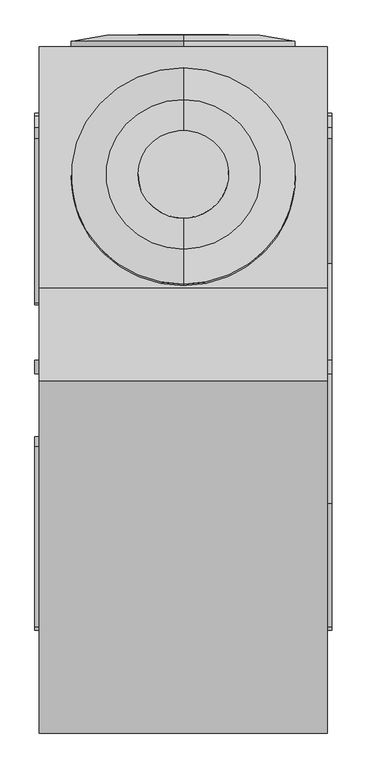
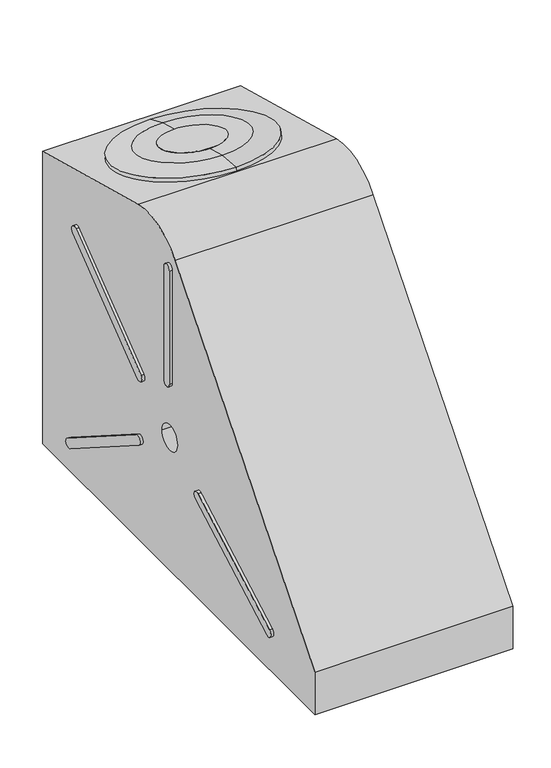
"""IFC4 building model written with IfcOpenShell, lengths in millimetres: proxy geometry."""

from ifc_helpers import new_model, si_unit, point, frame, frame_2d, origin, place, context, project, spatial, polyline, circle_curve, trimmed, segment, composite_curve, outline, extrude, source, transform, mapped, element, save
from ifc_brep_helpers import plane_surface, cylinder_surface, revolved_surface, advanced_brep


def mechanical_equipment_358d0582(model_context):
    return source(origin(), model_context, "Body", "SolidModel", [
        extrude(outline(composite_curve([segment(trimmed(circle_curve(frame_2d((187.4764808, 0.0)), 100.0), [point((187.4764808, -100.0))], [point((187.4764808, 100.0))], False, "CARTESIAN"), True, "CONTINUOUS"), segment(trimmed(circle_curve(frame_2d((187.4764808, 0.0)), 100.0), [point((187.4764808, 100.0))], [point((187.4764808, -100.0))], False, "CARTESIAN"), True, "CONTINUOUS")], self_intersect=False)), frame((0.0, 0.0176649, 0.0), z_axis=(0.0, 1.0, 0.0), x_axis=(0.0, 0.0, 1.0)), (0.0, 0.0, 1.0), 1.0),
        extrude(outline(composite_curve([segment(trimmed(circle_curve(frame_2d((1e-07, -100.0)), 100.0), [point((1e-07, -200.0))], [point((0.0, 0.0))], False, "CARTESIAN"), True, "CONTINUOUS"), segment(trimmed(circle_curve(frame_2d((1e-07, -100.0)), 100.0), [point((0.0, 0.0))], [point((1e-07, -200.0))], False, "CARTESIAN"), True, "CONTINUOUS")], self_intersect=False)), frame((31.1252062, -214.1752138, 1066.5502989), z_axis=(0.0, 0.25885147839852646, 0.9659171352299829), x_axis=(0.9503273928542714, -0.3006437005138585, 0.08056805652451159)), (0.0, 0.0, 1.0), 1.0),
        advanced_brep(
        [(0.0, 0.0176649, 187.4764808), (0.0, 0.0176649, 17.4764808), (0.0, 0.0176649, 357.4764808), (0.0, -24.9823351, 434.1264808), (0.0, -24.9823351, -59.1735192), (0.0, -24.9823351, 187.4764808), (0.0, -12.9823351, 434.1264808), (0.0, -12.9823351, -59.1735192)],
        [
            (0, 1),
            (1, 2, circle_curve(frame((0.0, 0.0176649, 187.4764808), z_axis=(0.0, 1.0, 0.0), x_axis=(0.0, 0.0, -1.0)), 170.0)),
            (2, 0),
            (2, 1, circle_curve(frame((0.0, 0.0176649, 187.4764808), z_axis=(0.0, 1.0, 0.0), x_axis=(0.0, 0.0, -1.0)), 170.0)),
            (3, 4, circle_curve(frame((0.0, -24.9823351, 187.4764808), z_axis=(0.0, -1.0, 0.0), x_axis=(0.0, 0.0, -1.0)), 246.65)),
            (4, 5),
            (5, 3),
            (4, 3, circle_curve(frame((0.0, -24.9823351, 187.4764808), z_axis=(0.0, -1.0, 0.0), x_axis=(0.0, 0.0, -1.0)), 246.65)),
            (6, 7, circle_curve(frame((0.0, -12.9823351, 187.4764808), z_axis=(0.0, -1.0, 0.0), x_axis=(0.0, 0.0, -1.0)), 246.65)),
            (7, 4),
            (3, 6),
            (7, 6, circle_curve(frame((0.0, -12.9823351, 187.4764808), z_axis=(0.0, -1.0, 0.0), x_axis=(0.0, 0.0, -1.0)), 246.65)),
            (1, 7),
            (6, 2),
        ],
        [
            plane_surface(frame((0.0, 0.0176649, 187.4764808), z_axis=(0.0, 1.0, 0.0), x_axis=(0.0, 0.0, -1.0))),
            plane_surface(frame((0.0, -24.9823351, 187.4764808), z_axis=(0.0, -1.0, 0.0), x_axis=(0.0, 0.0, -1.0))),
            cylinder_surface(frame((0.0, 266.483246, 187.4764808), z_axis=(0.0, 1.0, 0.0), x_axis=(0.0, 0.0, -1.0)), 246.65),
            revolved_surface(polyline([(0.0, -12.9823351, -59.1735192), (0.0, 0.0176649, 17.4764808)]), (0.0, 266.483246, 187.4764808), (0.0, 1.0, 0.0)),
        ],
        [
            (0, [[1, 2, 3]]),
            (0, [[-3, 4, -1]]),
            (1, [[5, 6, 7]]),
            (1, [[8, -7, -6]]),
            (2, [[9, 10, -5, 11]]),
            (2, [[12, -11, -8, -10]]),
            (3, [[-2, 13, -9, 14]]),
            (3, [[-4, -14, -12, -13]]),
        ],
    ),
        advanced_brep(
        [(317.0, -1534.9823231, 143.953088), (317.0, -1534.9823231, -2.4e-06), (317.0, -24.9823351, 0.0), (317.0, -24.9823351, 989.9655337), (317.0, -555.1380183, 1132.0394004), (317.0, -760.1219731, 1067.3956939), (-317.0, -1534.9823231, 143.953088), (-317.0, -760.1219731, 1067.3956939), (-317.0, -555.1427888, 1132.021599), (-317.0, -24.9823351, 989.9655337), (-317.0, -24.9823351, 0.0), (-317.0, -1534.9823231, -2.4e-06), (-317.0, -687.4823351, 449.1), (-317.0, -772.4823351, 449.1), (248.1949951, -687.4823351, 449.1), (248.1949951, -772.4823351, 449.1)],
        [
            (0, 1),
            (1, 2),
            (2, 3),
            (3, 4),
            (4, 5, circle_curve(frame((317.0, -606.9130845, 938.8381719), z_axis=(1.0, 0.0, 0.0), x_axis=(0.0, -0.30070579951104043, 0.9537169507460932)), 200.0)),
            (5, 0),
            (6, 7),
            (7, 8, circle_curve(frame((-317.0, -606.9130845, 938.8381719), z_axis=(-1.0, 0.0, 0.0), x_axis=(0.0, -0.30070579951104043, 0.9537169507460932)), 200.0)),
            (8, 9),
            (9, 10),
            (10, 11),
            (11, 6),
            (12, 13, circle_curve(frame((-317.0, -729.9823351, 449.1), z_axis=(1.0, 0.0, 0.0), x_axis=(0.0, -1.0, 0.0)), 42.5)),
            (13, 12, circle_curve(frame((-317.0, -729.9823351, 449.1), z_axis=(1.0, 0.0, 0.0), x_axis=(0.0, -1.0, 0.0)), 42.5)),
            (0, 6),
            (11, 1),
            (10, 2),
            (9, 3),
            (8, 4),
            (7, 5),
            (14, 15, circle_curve(frame((248.1949951, -729.9823351, 449.1), z_axis=(-1.0, 0.0, 0.0), x_axis=(0.0, -1.0, 0.0)), 42.5)),
            (15, 14, circle_curve(frame((248.1949951, -729.9823351, 449.1), z_axis=(-1.0, 0.0, 0.0), x_axis=(0.0, -1.0, 0.0)), 42.5)),
            (15, 13),
            (12, 14),
        ],
        [
            plane_surface(frame((317.0, -1534.9823231, 143.953088), z_axis=(1.0, 0.0, 0.0), x_axis=(0.0, 0.0, -1.0))),
            plane_surface(frame((-317.0, -1534.9823231, 143.953088), z_axis=(-1.0, 0.0, 0.0), x_axis=(0.0, 0.0, 1.0))),
            plane_surface(frame((317.0, -1534.9823231, 143.953088), z_axis=(0.0, -1.0, 0.0), x_axis=(-1.0, 0.0, 0.0))),
            plane_surface(frame((317.0, -1534.9823231, -2.4e-06), z_axis=(0.0, 1.5850794316734168e-09, -1.0), x_axis=(-1.0, 0.0, 0.0))),
            plane_surface(frame((317.0, -24.9823351, 0.0), z_axis=(0.0, 1.0, 0.0), x_axis=(-1.0, 0.0, 0.0))),
            plane_surface(frame((317.0, -24.9823351, 989.9655337), z_axis=(0.0, 0.25885147839851663, 0.9659171352299856), x_axis=(-1.0, 0.0, 0.0))),
            cylinder_surface(frame((-317.0, -606.9130845, 938.8381719), z_axis=(1.0, 0.0, 0.0), x_axis=(0.0, -0.30070579951104043, 0.9537169507460932)), 200.0),
            plane_surface(frame((317.0, -760.1219731, 1067.3956939), z_axis=(0.0, -0.7660444431094807, 0.6427876096978579), x_axis=(-1.0, 0.0, 0.0))),
            plane_surface(frame((248.1949951, -772.4823351, 449.1), z_axis=(-1.0, 0.0, 0.0), x_axis=(0.0, 0.0, -1.0))),
            revolved_surface(polyline([(248.19499510000003, -772.4823351, 449.1), (-317.0, -772.4823351, 449.1)]), (-317.0, -729.9823351, 449.1), (1.0, 0.0, 0.0)),
        ],
        [
            (0, [[1, 2, 3, 4, 5, 6]]),
            (1, [[7, 8, 9, 10, 11, 12], [13, 14]]),
            (2, [[-1, 15, -12, 16]]),
            (3, [[-2, -16, -11, 17]]),
            (4, [[-3, -17, -10, 18]]),
            (5, [[-4, -18, -9, 19]]),
            (6, [[-5, -19, -8, 20]]),
            (7, [[-6, -20, -7, -15]]),
            (8, [[21, 22]]),
            (9, [[-22, 23, -13, 24]]),
            (9, [[-21, -24, -14, -23]]),
        ],
    ),
        advanced_brep(
        [(0.0, -141.7630521, 1047.1449127), (0.0, -470.1748781, 1135.1544153), (0.0, -305.9689651, 1091.149664), (0.0, -312.4402521, 1067.0017356), (0.0, -550.6837135, 1130.8474528), (0.0, -74.1967907, 1003.1560185), (0.0, -547.5774958, 1142.4384584), (0.0, -71.0905729, 1014.7470241)],
        [
            (0, 1, circle_curve(frame((0.0, -305.9689651, 1091.149664), z_axis=(0.0, 0.25885147839851697, 0.9659171352299857), x_axis=(0.0, -0.9659171352299855, 0.2588514783985169)), 170.0)),
            (1, 2),
            (2, 0),
            (1, 0, circle_curve(frame((0.0, -305.9689651, 1091.149664), z_axis=(0.0, 0.25885147839851697, 0.9659171352299857), x_axis=(0.0, -0.9659171352299855, 0.2588514783985169)), 170.0)),
            (3, 4),
            (4, 5, circle_curve(frame((0.0, -312.4402521, 1067.0017356), z_axis=(0.0, -0.25885147839851697, -0.9659171352299857), x_axis=(0.0, -0.9659171352299855, 0.2588514783985169)), 246.65)),
            (5, 3),
            (5, 4, circle_curve(frame((0.0, -312.4402521, 1067.0017356), z_axis=(0.0, -0.25885147839851697, -0.9659171352299857), x_axis=(0.0, -0.9659171352299855, 0.2588514783985169)), 246.65)),
            (4, 6),
            (6, 7, circle_curve(frame((0.0, -309.3340344, 1078.5927412), z_axis=(0.0, -0.25885147839851697, -0.9659171352299857), x_axis=(0.0, -0.9659171352299855, 0.2588514783985169)), 246.65)),
            (7, 5),
            (7, 6, circle_curve(frame((0.0, -309.3340344, 1078.5927412), z_axis=(0.0, -0.25885147839851697, -0.9659171352299857), x_axis=(0.0, -0.9659171352299855, 0.2588514783985169)), 246.65)),
            (6, 1),
            (0, 7),
        ],
        [
            plane_surface(frame((0.0, -305.9689651, 1091.149664), z_axis=(0.0, 0.25885147839851697, 0.9659171352299856), x_axis=(0.0, -0.9659171352299856, 0.25885147839851697))),
            plane_surface(frame((0.0, -312.4402521, 1067.0017356), z_axis=(0.0, -0.25885147839851697, -0.9659171352299856), x_axis=(0.0, -0.9659171352299856, 0.25885147839851697))),
            cylinder_surface(frame((0.0, -236.9939555, 1348.5333347), z_axis=(0.0, -0.2588514783985169, -0.9659171352299855), x_axis=(0.0, -0.9659171352299855, 0.2588514783985169)), 246.65),
            revolved_surface(polyline([(0.0, -470.1748781, 1135.1544153), (0.0, -547.5774958, 1142.4384584)]), (0.0, -236.9939555, 1348.5333347), (0.0, -0.2588514783985169, -0.9659171352299855)),
        ],
        [
            (0, [[1, 2, 3]]),
            (0, [[4, -3, -2]]),
            (1, [[5, 6, 7]]),
            (1, [[-7, 8, -5]]),
            (2, [[-6, 9, 10, 11]]),
            (2, [[-8, -11, 12, -9]]),
            (3, [[-10, 13, -1, 14]]),
            (3, [[-12, -14, -4, -13]]),
        ],
    ),
        extrude(outline(composite_curve([segment(trimmed(circle_curve(frame_2d((-729.9823351, 449.1)), 300.0), [point((-485.3348151, 275.4693836))], [point((-984.3339908, 290.0238067))], False, "CARTESIAN"), True, "CONTINUOUS"), segment(polyline([(-984.3339908, 290.0238067), (-1285.9471057, 121.7574059)]), True, "CONTINUOUS"), segment(trimmed(circle_curve(frame_2d((-1293.2550877, 134.8567723)), 15.0), [point((-1285.9471057, 121.7574059))], [point((-1300.5630698, 147.9561386))], False, "CARTESIAN"), True, "CONTINUOUS"), segment(polyline([(-1300.5630698, 147.9561386), (-998.9499548, 316.2225394)]), True, "CONTINUOUS"), segment(trimmed(circle_curve(frame_2d((-729.9823351, 449.1)), 300.0), [point((-998.9499548, 316.2225394))], [point((-744.9823351, 748.7247653))], False, "CARTESIAN"), True, "CONTINUOUS"), segment(polyline([(-744.9823351, 748.7247653), (-744.9823351, 1024.1)]), True, "CONTINUOUS"), segment(trimmed(circle_curve(frame_2d((-729.9823351, 1024.1)), 15.0), [point((-744.9823351, 1024.1))], [point((-714.9823351, 1024.1))], False, "CARTESIAN"), True, "CONTINUOUS"), segment(polyline([(-714.9823351, 1024.1), (-714.9823351, 748.7247653)]), True, "CONTINUOUS"), segment(trimmed(circle_curve(frame_2d((-729.9823351, 449.1)), 300.0), [point((-714.9823351, 748.7247653))], [point((-501.3881024, 643.3798928))], False, "CARTESIAN"), True, "CONTINUOUS"), segment(polyline([(-501.3881024, 643.3798928), (-227.3647367, 853.6065509)]), True, "CONTINUOUS"), segment(trimmed(circle_curve(frame_2d((-218.2343777, 841.7054356)), 15.0), [point((-227.3647367, 853.6065509))], [point((-209.1040187, 829.8043203))], False, "CARTESIAN"), True, "CONTINUOUS"), segment(polyline([(-209.1040187, 829.8043203), (-483.1273844, 619.5776623)]), True, "CONTINUOUS"), segment(trimmed(circle_curve(frame_2d((-729.9823351, 449.1)), 300.0), [point((-483.1273844, 619.5776623))], [point((-469.2167085, 300.7716886))], False, "CARTESIAN"), True, "CONTINUOUS"), segment(polyline([(-469.2167085, 300.7716886), (-177.9237242, 115.2118598)]), True, "CONTINUOUS"), segment(trimmed(circle_curve(frame_2d((-185.9827775, 102.5607073)), 15.0), [point((-177.9237242, 115.2118598))], [point((-194.0418309, 89.9095548))], False, "CARTESIAN"), True, "CONTINUOUS"), segment(polyline([(-194.0418309, 89.9095548), (-485.3348151, 275.4693836)]), True, "CONTINUOUS")], self_intersect=False), holes=[composite_curve([segment(polyline([(-917.8225514, 269.333337), (-822.0065217, 372.0834492)]), True, "CONTINUOUS"), segment(trimmed(circle_curve(frame_2d((-729.9823351, 449.1)), 120.0), [point((-822.0065217, 372.0834492))], [point((-822.0065217, 526.1165508))], False, "CARTESIAN"), True, "CONTINUOUS"), segment(polyline([(-822.0065217, 526.1165508), (-917.8225514, 628.866663)]), True, "CONTINUOUS"), segment(trimmed(circle_curve(frame_2d((-729.9823351, 449.1)), 260.0), [point((-917.8225514, 628.866663))], [point((-917.8225514, 269.333337))], True, "CARTESIAN"), True, "CONTINUOUS")], self_intersect=False), composite_curve([segment(polyline([(-630.1074133, 444.1), (-829.8572569, 444.1)]), True, "CONTINUOUS"), segment(trimmed(circle_curve(frame_2d((-729.9823351, 449.1)), 100.0), [point((-829.8572569, 444.1))], [point((-630.1074133, 444.1))], True, "CARTESIAN"), True, "CONTINUOUS")], self_intersect=False), composite_curve([segment(trimmed(circle_curve(frame_2d((-729.9823351, 449.1)), 100.0), [point((-630.1074133, 454.1))], [point((-829.8572569, 454.1))], True, "CARTESIAN"), True, "CONTINUOUS"), segment(polyline([(-829.8572569, 454.1), (-630.1074133, 454.1)]), True, "CONTINUOUS")], self_intersect=False), composite_curve([segment(trimmed(circle_curve(frame_2d((-729.9823351, 449.1)), 120.0), [point((-806.9988859, 541.1241865))], [point((-652.9657844, 541.1241865))], False, "CARTESIAN"), True, "CONTINUOUS"), segment(polyline([(-652.9657844, 541.1241865), (-550.2156721, 636.9402163)]), True, "CONTINUOUS"), segment(trimmed(circle_curve(frame_2d((-729.9823351, 449.1)), 260.0), [point((-550.2156721, 636.9402163))], [point((-909.7489981, 636.9402163))], True, "CARTESIAN"), True, "CONTINUOUS"), segment(polyline([(-909.7489981, 636.9402163), (-806.9988859, 541.1241865)]), True, "CONTINUOUS")], self_intersect=False), composite_curve([segment(trimmed(circle_curve(frame_2d((-729.9823351, 449.1)), 120.0), [point((-637.9581486, 526.1165508))], [point((-637.9581486, 372.0834492))], False, "CARTESIAN"), True, "CONTINUOUS"), segment(polyline([(-637.9581486, 372.0834492), (-542.1421188, 269.333337)]), True, "CONTINUOUS"), segment(trimmed(circle_curve(frame_2d((-729.9823351, 449.1)), 260.0), [point((-542.1421188, 269.333337))], [point((-542.1421188, 628.866663))], True, "CARTESIAN"), True, "CONTINUOUS"), segment(polyline([(-542.1421188, 628.866663), (-637.9581486, 526.1165508)]), True, "CONTINUOUS")], self_intersect=False), composite_curve([segment(trimmed(circle_curve(frame_2d((-729.9823351, 449.1)), 120.0), [point((-652.9657844, 357.0758135))], [point((-806.9988859, 357.0758135))], False, "CARTESIAN"), True, "CONTINUOUS"), segment(polyline([(-806.9988859, 357.0758135), (-909.7489981, 261.2597837)]), True, "CONTINUOUS"), segment(trimmed(circle_curve(frame_2d((-729.9823351, 449.1)), 260.0), [point((-909.7489981, 261.2597837))], [point((-550.2156721, 261.2597837))], True, "CARTESIAN"), True, "CONTINUOUS"), segment(polyline([(-550.2156721, 261.2597837), (-652.9657844, 357.0758135)]), True, "CONTINUOUS")], self_intersect=False)]), frame((317.0, 0.0, 0.0), z_axis=(1.0, 0.0, 0.0), x_axis=(0.0, 1.0, 0.0)), (0.0, 0.0, 1.0), 10.0),
        extrude(outline(composite_curve([segment(trimmed(circle_curve(frame_2d((-568.1047201, 345.980515)), 15.0), [point((-576.1637734, 333.3293625))], [point((-560.0456668, 358.6316675))], False, "CARTESIAN"), True, "CONTINUOUS"), segment(polyline([(-560.0456668, 358.6316675), (-177.9237242, 115.2118598)]), True, "CONTINUOUS"), segment(trimmed(circle_curve(frame_2d((-185.9827775, 102.5607073)), 15.0), [point((-177.9237242, 115.2118598))], [point((-194.0418309, 89.9095548))], False, "CARTESIAN"), True, "CONTINUOUS"), segment(polyline([(-194.0418309, 89.9095548), (-576.1637734, 333.3293625)]), True, "CONTINUOUS")], self_intersect=False)), frame((-327.0, 0.0, 0.0), z_axis=(1.0, 0.0, 0.0), x_axis=(0.0, 1.0, 0.0)), (0.0, 0.0, 1.0), 10.0),
        extrude(outline(composite_curve([segment(polyline([(-588.297225, 576.7045042), (-227.3647367, 853.6065509)]), True, "CONTINUOUS"), segment(trimmed(circle_curve(frame_2d((-218.2343777, 841.7054356)), 15.0), [point((-227.3647367, 853.6065509))], [point((-209.1040187, 829.8043203))], False, "CARTESIAN"), True, "CONTINUOUS"), segment(polyline([(-209.1040187, 829.8043203), (-570.0365071, 552.9022736)]), True, "CONTINUOUS"), segment(trimmed(circle_curve(frame_2d((-577.5989736, 566.0062527)), 15.1296123), [point((-570.0365071, 552.9022736))], [point((-588.297225, 576.7045042))], False, "CARTESIAN"), True, "CONTINUOUS")], self_intersect=False)), frame((-327.0, 0.0, 0.0), z_axis=(1.0, 0.0, 0.0), x_axis=(0.0, 1.0, 0.0)), (0.0, 0.0, 1.0), 10.0),
        extrude(outline(composite_curve([segment(polyline([(-714.9823351, 1024.1), (-714.9823351, 641.0322548)]), True, "CONTINUOUS"), segment(trimmed(circle_curve(frame_2d((-729.9823351, 641.0322548)), 15.0), [point((-714.9823351, 641.0322548))], [point((-744.9823351, 641.0322548))], False, "CARTESIAN"), True, "CONTINUOUS"), segment(polyline([(-744.9823351, 641.0322548), (-744.9823351, 1024.1)]), True, "CONTINUOUS"), segment(trimmed(circle_curve(frame_2d((-729.9823351, 1024.1)), 15.0), [point((-744.9823351, 1024.1))], [point((-714.9823351, 1024.1))], False, "CARTESIAN"), True, "CONTINUOUS")], self_intersect=False)), frame((-327.0, 0.0, 0.0), z_axis=(1.0, 0.0, 0.0), x_axis=(0.0, 1.0, 0.0)), (0.0, 0.0, 1.0), 10.0),
        extrude(outline(composite_curve([segment(polyline([(-1300.5630698, 147.9561386), (-904.903045, 368.6902016)]), True, "CONTINUOUS"), segment(trimmed(circle_curve(frame_2d((-897.595063, 355.5908353)), 15.0), [point((-904.903045, 368.6902016))], [point((-890.2870809, 342.4914689))], False, "CARTESIAN"), True, "CONTINUOUS"), segment(polyline([(-890.2870809, 342.4914689), (-1285.9471057, 121.7574059)]), True, "CONTINUOUS"), segment(trimmed(circle_curve(frame_2d((-1293.2550877, 134.8567723)), 15.0), [point((-1285.9471057, 121.7574059))], [point((-1300.5630698, 147.9561386))], False, "CARTESIAN"), True, "CONTINUOUS")], self_intersect=False)), frame((-327.0, 0.0, 0.0), z_axis=(1.0, 0.0, 0.0), x_axis=(0.0, 1.0, 0.0)), (0.0, 0.0, 1.0), 10.0),
    ])


if __name__ == "__main__":
    model = new_model("IFC4")
    model_context = context("Model", 3, world=origin())
    ifc_project = project(units=[si_unit("LENGTHUNIT", "METRE", prefix="MILLI")], contexts=[model_context])
    site = spatial("IfcSite", under=ifc_project)
    building = spatial("IfcBuilding", under=site)
    placement = place(None, origin())
    mechanical_equipment_shape = mechanical_equipment_358d0582(model_context)
    element("IfcBuildingElementProxy", 1, Name="Mechanical Equipment", at=placement, inside=building, context=model_context, shape_type="MappedRepresentation", body=[
        mapped(mechanical_equipment_shape, transform((0.0, 0.0, 0.0), x_axis=(1.0, 0.0, 0.0), y_axis=(0.0, 1.0, 0.0), z_axis=(0.0, 0.0, 1.0))),
    ])
    save(model, "model.ifc")
